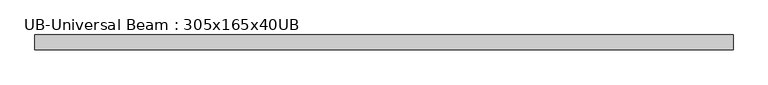
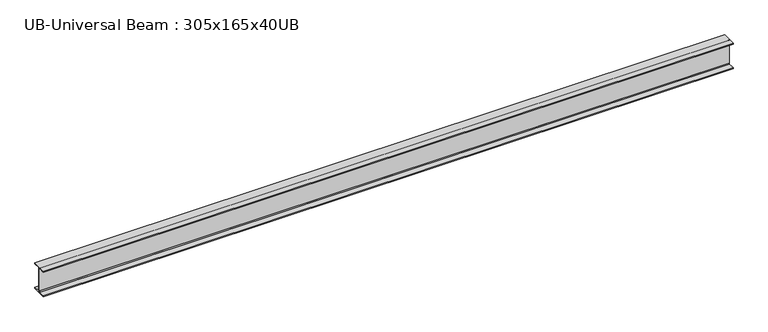
"""IFC4 building model written with IfcOpenShell, lengths in millimetres: beam geometry, UB-Universal Beam : 305x165x40UB."""

import ifcopenshell
import ifcopenshell.guid

model = None  # the IFC model being written
_history = None  # IfcOwnerHistory: only IFC2X3 demands one
_inside = {}  # id of a spatial element -> (the spatial element, [elements in it])
_under = {}  # id of a project, library or spatial element -> (it, [spatial elements below it])
_declared = {}  # id of a project -> (the project, [libraries it declares])
_typed = {}  # id of a type object -> (the type object, [elements of that type])
_made_of = {}  # id of a material, layer set ... -> (it, [elements and type objects made of it])


def new_model(schema):
    """Start an empty IFC model of exactly this schema.

    Asked for "IFC4X3", IfcOpenShell would pick the latest addendum, in which some entities
    have other attributes; the version numbers below select the first issue.
    IFC2X3 requires an IfcOwnerHistory on every rooted entity: one is made here for all.
    """
    global model, _history
    if schema == "IFC4X3":
        model = ifcopenshell.file(schema_version=(4, 3, 0, 0))
    else:
        model = ifcopenshell.file(schema=schema)
    _inside.clear()
    _under.clear()
    _declared.clear()
    _typed.clear()
    _made_of.clear()
    _history = None
    if model.schema == "IFC2X3":
        org = make("IfcOrganization", Name="unknown")
        user = make(
            "IfcPersonAndOrganization",
            ThePerson=make("IfcPerson", FamilyName="unknown"),
            TheOrganization=org,
        )
        app = make(
            "IfcApplication",
            ApplicationDeveloper=org,
            Version="unknown",
            ApplicationFullName="unknown",
            ApplicationIdentifier="unknown",
        )
        _history = make(
            "IfcOwnerHistory",
            OwningUser=user,
            OwningApplication=app,
            ChangeAction="ADDED",
            CreationDate=0,
        )
    return model


def make(cls, **values):
    """One entity of the class cls with the attributes given. An attribute that is None is left unset."""
    return model.create_entity(
        cls, **{name: value for name, value in values.items() if value is not None}
    )


def rooted(cls, **values):
    """An entity with a GlobalId (a new one), such as an element, a storey or a relation."""
    return make(cls, GlobalId=ifcopenshell.guid.new(), OwnerHistory=_history, **values)


def si_unit(unit_type, name, prefix=None):
    """IfcSIUnit, for example si_unit("LENGTHUNIT", "METRE", prefix="MILLI")."""
    return make("IfcSIUnit", UnitType=unit_type, Prefix=prefix, Name=name)


def assignment(units):
    """IfcUnitAssignment: the units of a project."""
    return None if units is None else make("IfcUnitAssignment", Units=units)


def point(xyz):
    """IfcCartesianPoint."""
    return None if xyz is None else make("IfcCartesianPoint", Coordinates=xyz)


def direction(xyz):
    """IfcDirection."""
    return None if xyz is None else make("IfcDirection", DirectionRatios=xyz)


def frame(location, z_axis=None, x_axis=None):
    """IfcAxis2Placement3D, a coordinate frame: its origin and axes. An axis left out is left unset."""
    return make(
        "IfcAxis2Placement3D",
        Location=point(location),
        Axis=direction(z_axis),
        RefDirection=direction(x_axis),
    )


def frame_2d(location, x_axis=None):
    """IfcAxis2Placement2D, a coordinate frame in the plane: its origin and x axis."""
    return make(
        "IfcAxis2Placement2D", Location=point(location), RefDirection=direction(x_axis)
    )


def origin():
    """The frame at (0, 0, 0) with its axes left unset."""
    return frame((0.0, 0.0, 0.0))


def place(relative_to, where):
    """IfcLocalPlacement: puts the frame where relative to a parent placement (None: the world)."""
    return make(
        "IfcLocalPlacement", PlacementRelTo=relative_to, RelativePlacement=where
    )


def context(
    kind, dimensions, precision=None, world=None, true_north=None, identifier=None
):
    """IfcGeometricRepresentationContext, for example the 3D "Model" context."""
    return make(
        "IfcGeometricRepresentationContext",
        ContextIdentifier=identifier,
        ContextType=kind,
        CoordinateSpaceDimension=dimensions,
        Precision=precision,
        WorldCoordinateSystem=world,
        TrueNorth=true_north,
    )


def project(units=None, contexts=None):
    """IfcProject with its units and contexts."""
    return rooted(
        "IfcProject",
        Name="project",
        RepresentationContexts=contexts,
        UnitsInContext=assignment(units),
    )


def spatial(cls, under=None, at=None, **own):
    """A site, building, storey or space (cls), placed at a placement, below another one or the project."""
    s = rooted(cls, ObjectPlacement=at, **own)
    if under is not None:
        _under.setdefault(under.id(), (under, []))[1].append(s)
    return s


def polyline(points):
    """IfcPolyline through the points."""
    return make("IfcPolyline", Points=[point(p) for p in points])


def circle_curve(where, radius):
    """IfcCircle in the frame where."""
    return make("IfcCircle", Position=where, Radius=radius)


def trimmed(basis, trim1, trim2, sense, master):
    """IfcTrimmedCurve: the piece of a basis curve between two trims."""
    return make(
        "IfcTrimmedCurve",
        BasisCurve=basis,
        Trim1=trim1,
        Trim2=trim2,
        SenseAgreement=sense,
        MasterRepresentation=master,
    )


def segment(curve, same_sense, transition):
    """IfcCompositeCurveSegment."""
    return make(
        "IfcCompositeCurveSegment",
        Transition=transition,
        SameSense=same_sense,
        ParentCurve=curve,
    )


def composite_curve(segments, self_intersect=None):
    """IfcCompositeCurve: segments joined end to end."""
    return make("IfcCompositeCurve", Segments=segments, SelfIntersect=self_intersect)


def outline(outer, holes=None, kind="AREA"):
    """IfcArbitraryClosedProfileDef: a profile drawn as a closed curve; with holes, ...WithVoids."""
    if holes is None:
        return make("IfcArbitraryClosedProfileDef", ProfileType=kind, OuterCurve=outer)
    return make(
        "IfcArbitraryProfileDefWithVoids",
        ProfileType=kind,
        OuterCurve=outer,
        InnerCurves=holes,
    )


def extrude(swept, where, along, depth):
    """IfcExtrudedAreaSolid: the profile swept, set in the frame where, extruded along a direction by depth."""
    return make(
        "IfcExtrudedAreaSolid",
        SweptArea=swept,
        Position=where,
        ExtrudedDirection=direction(along),
        Depth=depth,
    )


def shape(context_of_items, identifier, shape_type, items):
    """IfcShapeRepresentation: the items that make up one representation, for example the "Body"."""
    return make(
        "IfcShapeRepresentation",
        ContextOfItems=context_of_items,
        RepresentationIdentifier=identifier,
        RepresentationType=shape_type,
        Items=items,
    )


def source(mapping_origin, context_of_items, identifier, shape_type, items):
    """IfcRepresentationMap: a shape defined once, which mapped items show again and again."""
    return make(
        "IfcRepresentationMap",
        MappingOrigin=mapping_origin,
        MappedRepresentation=shape(context_of_items, identifier, shape_type, items),
    )


def transform(
    local_origin,
    x_axis=None,
    y_axis=None,
    z_axis=None,
    scale=None,
    scale2=None,
    scale3=None,
    uniform=True,
):
    """IfcCartesianTransformationOperator3D, or its non-uniform kind. x_axis, y_axis, z_axis: its Axis1, 2, 3."""
    if uniform:
        return make(
            "IfcCartesianTransformationOperator3D",
            Axis1=direction(x_axis),
            Axis2=direction(y_axis),
            LocalOrigin=point(local_origin),
            Scale=scale,
            Axis3=direction(z_axis),
        )
    return make(
        "IfcCartesianTransformationOperator3DnonUniform",
        Axis1=direction(x_axis),
        Axis2=direction(y_axis),
        LocalOrigin=point(local_origin),
        Scale=scale,
        Axis3=direction(z_axis),
        Scale2=scale2,
        Scale3=scale3,
    )


def mapped(mapping_source, mapping_target):
    """IfcMappedItem: shows the shape of a source again, moved by a transform."""
    return make(
        "IfcMappedItem", MappingSource=mapping_source, MappingTarget=mapping_target
    )


def made_of(thing, what):
    """Note that an element or type object is made of a material, layer set ...; save() writes the relation."""
    if what is not None:
        _made_of.setdefault(what.id(), (what, []))[1].append(thing)
    return thing


def element(
    cls,
    number,
    at=None,
    inside=None,
    cuts=None,
    type_object=None,
    material=None,
    context=None,
    identifier="Body",
    shape_type=None,
    held_by="IfcProductDefinitionShape",
    body=None,
    shapes=None,
    **own,
):
    """One element of the class cls, such as IfcWall. Its Tag is "e" and its number.

    at: its placement. inside: the storey or other place that contains it. cuts: it is an
    opening in that element (IfcRelVoidsElement). A single representation is given by context,
    identifier, shape_type and body (its items); several are given by shapes. held_by: the class
    of the entity that holds the representations. save() writes the other relations.
    """
    e = rooted(cls, Tag="e%d" % number, ObjectPlacement=at, **own)
    if body is not None:
        shapes = [shape(context, identifier, shape_type, body)]
    if shapes is not None:
        e.Representation = make(held_by, Representations=shapes)
    if inside is not None:
        _inside.setdefault(inside.id(), (inside, []))[1].append(e)
    if cuts is not None:
        rooted(
            "IfcRelVoidsElement", RelatingBuildingElement=cuts, RelatedOpeningElement=e
        )
    if type_object is not None:
        _typed.setdefault(type_object.id(), (type_object, []))[1].append(e)
    return made_of(e, material)


def aggregate(whole, parts):
    """IfcRelAggregates: a whole, such as a stair, and the parts it consists of."""
    return rooted("IfcRelAggregates", RelatingObject=whole, RelatedObjects=parts)


def save(model, path):
    """Write the relations noted so far, then the file.

    IfcRelAggregates (storeys below a building ...), IfcRelContainedInSpatialStructure (elements
    in a storey), IfcRelDefinesByType, IfcRelAssociatesMaterial and IfcRelDeclares: one each for
    every whole, place, type object, material and project.
    """
    for whole, parts in _under.values():
        aggregate(whole, parts)
    for where, things in _inside.values():
        rooted(
            "IfcRelContainedInSpatialStructure",
            RelatedElements=things,
            RelatingStructure=where,
        )
    for kind, things in _typed.values():
        rooted("IfcRelDefinesByType", RelatedObjects=things, RelatingType=kind)
    for what, things in _made_of.values():
        rooted("IfcRelAssociatesMaterial", RelatedObjects=things, RelatingMaterial=what)
    for by, libraries in _declared.values():
        rooted("IfcRelDeclares", RelatingContext=by, RelatedDefinitions=libraries)
    model.write(path)


def ub_universal_beam_305x165x40ub_8f7e3fd5(model_context):
    return source(origin(), model_context, "Body", "SweptSolid", [
        extrude(outline(composite_curve([segment(polyline([(82.5, -141.5), (82.5, -151.7), (-82.5, -151.7), (-82.5, -141.5), (-11.9, -141.5)]), True, "CONTINUOUS"), segment(trimmed(circle_curve(frame_2d((-11.9, -132.6)), 8.9), [point((-11.9, -141.5))], [point((-3.0, -132.6))], True, "CARTESIAN"), True, "CONTINUOUS"), segment(polyline([(-3.0, -132.6), (-3.0, 132.6)]), True, "CONTINUOUS"), segment(trimmed(circle_curve(frame_2d((-11.9, 132.6)), 8.9), [point((-3.0, 132.6))], [point((-11.9, 141.5))], True, "CARTESIAN"), True, "CONTINUOUS"), segment(polyline([(-11.9, 141.5), (-82.5, 141.5), (-82.5, 151.7), (82.5, 151.7), (82.5, 141.5), (11.9, 141.5)]), True, "CONTINUOUS"), segment(trimmed(circle_curve(frame_2d((11.9, 132.6)), 8.9), [point((11.9, 141.5))], [point((3.0, 132.6))], True, "CARTESIAN"), True, "CONTINUOUS"), segment(polyline([(3.0, 132.6), (3.0, -132.6)]), True, "CONTINUOUS"), segment(trimmed(circle_curve(frame_2d((11.9, -132.6)), 8.9), [point((3.0, -132.6))], [point((11.9, -141.5))], True, "CARTESIAN"), True, "CONTINUOUS"), segment(polyline([(11.9, -141.5), (82.5, -141.5)]), True, "CONTINUOUS")], self_intersect=False)), frame((-3900.1741528, 0.0, 0.0), z_axis=(1.0, 0.0, 0.0), x_axis=(0.0, 1.0, 0.0)), (0.0, 0.0, 1.0), 7792.799693),
    ])


if __name__ == "__main__":
    model = new_model("IFC4")
    model_context = context("Model", 3, world=origin())
    ifc_project = project(units=[si_unit("LENGTHUNIT", "METRE", prefix="MILLI")], contexts=[model_context])
    site = spatial("IfcSite", under=ifc_project)
    building = spatial("IfcBuilding", under=site)
    placement = place(None, origin())
    ub_universal_beam_305x165x40ub_shape = ub_universal_beam_305x165x40ub_8f7e3fd5(model_context)
    element("IfcBeam", 1, ObjectType="UB-Universal Beam : 305x165x40UB", at=placement, inside=building, context=model_context, shape_type="MappedRepresentation", body=[
        mapped(ub_universal_beam_305x165x40ub_shape, transform((0.0, 0.0, 0.0), x_axis=(1.0, 0.0, 0.0), y_axis=(0.0, 1.0, 0.0), z_axis=(0.0, 0.0, 1.0))),
    ])
    save(model, "model.ifc")
